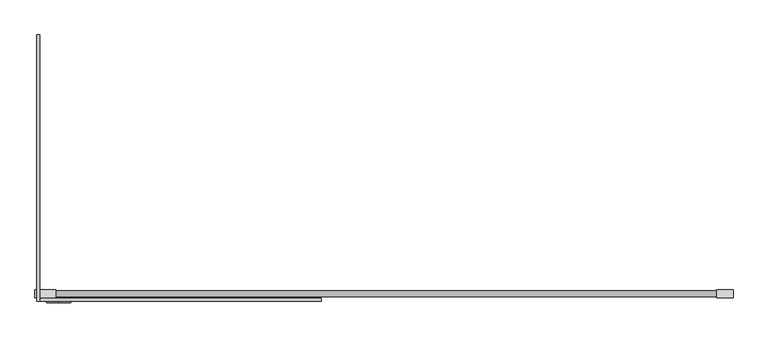
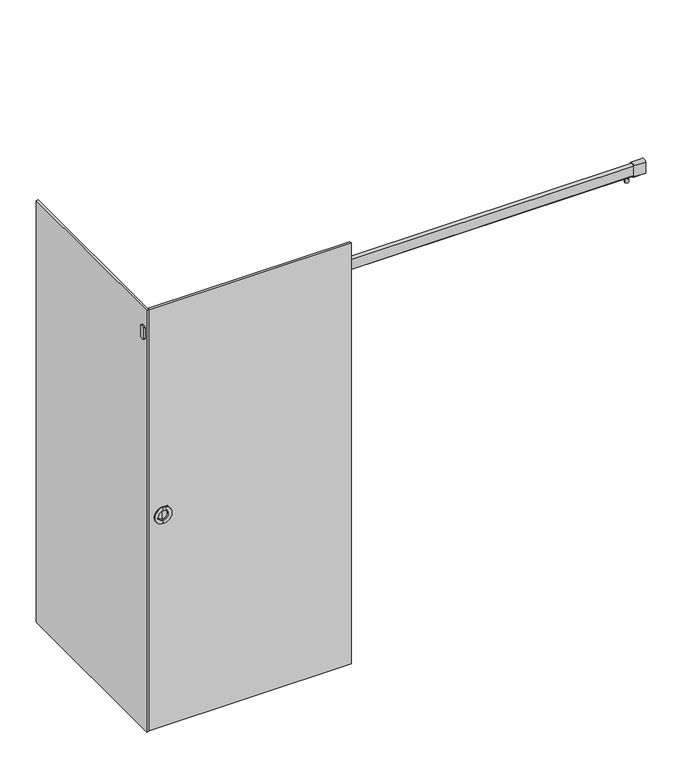
"""IFC4 building model written with IfcOpenShell, lengths in millimetres: proxy geometry."""

from ifc_helpers import new_model, si_unit, point, frame, frame_2d, origin, place, context, project, spatial, polyline, circle_curve, trimmed, segment, composite_curve, outline, extrude, source, transform, mapped, element, save
from ifc_brep_helpers import plane_surface, cylinder_surface, revolved_surface, advanced_brep


def specialty_equipment_84c9e7d3(model_context):
    return source(origin(), model_context, "Body", "SolidModel", [
        advanced_brep(
        [(-223.8375, 1.1125, 2133.6), (-1185.8625, 1.1125, 2133.6), (-1185.8625, -8.4125, 2133.6), (-223.8375, -8.4125, 2133.6), (-223.8375, 1.1125, 9.525), (-223.8375, -8.4125, 9.525), (-1185.8625, -8.4125, 9.525), (-1185.8625, 1.1125, 9.525), (-1122.3625, -8.4125, 1049.3375), (-1122.3625, -8.4125, 1103.3125), (-1122.3625, 1.1125, 1103.3125), (-1122.3625, 1.1125, 1049.3375), (-1122.3625, -3.65, 1049.3375), (-1122.3625, -3.65, 1103.3125)],
        [
            (0, 1),
            (1, 2),
            (2, 3),
            (3, 0),
            (4, 5),
            (5, 6),
            (6, 7),
            (7, 4),
            (3, 5),
            (4, 0),
            (2, 6),
            (8, 9, circle_curve(frame((-1122.3625, -8.4125, 1076.325), z_axis=(0.0, 1.0, 0.0), x_axis=(0.0, 0.0, -1.0)), 26.9875)),
            (9, 8, circle_curve(frame((-1122.3625, -8.4125, 1076.325), z_axis=(0.0, 1.0, 0.0), x_axis=(0.0, 0.0, -1.0)), 26.9875)),
            (1, 7),
            (10, 11, circle_curve(frame((-1122.3625, 1.1125, 1076.325), z_axis=(0.0, -1.0, 0.0), x_axis=(0.0, 0.0, -1.0)), 26.9875)),
            (11, 10, circle_curve(frame((-1122.3625, 1.1125, 1076.325), z_axis=(0.0, -1.0, 0.0), x_axis=(0.0, 0.0, -1.0)), 26.9875)),
            (11, 12),
            (12, 13, circle_curve(frame((-1122.3625, -3.65, 1076.325), z_axis=(0.0, -1.0, 0.0), x_axis=(0.0, 0.0, -1.0)), 26.9875)),
            (13, 10),
            (13, 12, circle_curve(frame((-1122.3625, -3.65, 1076.325), z_axis=(0.0, -1.0, 0.0), x_axis=(0.0, 0.0, -1.0)), 26.9875)),
            (12, 8),
            (9, 13),
        ],
        [
            plane_surface(frame((-223.8375, -8.4125, 2133.6), z_axis=(0.0, 0.0, 1.0), x_axis=(0.0, -1.0, 0.0))),
            plane_surface(frame((-223.8375, -8.4125, 9.525), z_axis=(0.0, 0.0, -1.0), x_axis=(0.0, 1.0, 0.0))),
            plane_surface(frame((-223.8375, 1.1125, 2133.6), z_axis=(1.0, 0.0, 0.0), x_axis=(0.0, 0.0, -1.0))),
            plane_surface(frame((-223.8375, -8.4125, 2133.6), z_axis=(0.0, -1.0, 0.0), x_axis=(0.0, 0.0, -1.0))),
            plane_surface(frame((-1185.8625, -8.4125, 2133.6), z_axis=(-1.0, 0.0, 0.0), x_axis=(0.0, 0.0, -1.0))),
            plane_surface(frame((-1185.8625, 1.1125, 2133.6), z_axis=(0.0, 1.0, 0.0), x_axis=(0.0, 0.0, -1.0))),
            revolved_surface(polyline([(-1122.3625, 1.112500000000182, 1049.3375), (-1122.3625, -3.650000000000091, 1049.3375)]), (-1122.3625, 2128.0461068, 1076.325), (0.0, 1.0, 0.0)),
            revolved_surface(polyline([(-1122.3625, -3.6500000000000057, 1049.3375), (-1122.3625, -8.412499999999994, 1049.3375)]), (-1122.3625, -229.3360248, 1076.325), (0.0, 1.0, 0.0)),
        ],
        [
            (0, [[1, 2, 3, 4]]),
            (1, [[5, 6, 7, 8]]),
            (2, [[9, -5, 10, -4]]),
            (3, [[11, -6, -9, -3], [12, 13]]),
            (4, [[14, -7, -11, -2]]),
            (5, [[-10, -8, -14, -1], [15, 16]]),
            (6, [[-16, 17, 18, 19]]),
            (6, [[20, -17, -15, -19]]),
            (7, [[-18, 21, -13, 22]]),
            (7, [[-12, -21, -20, -22]]),
        ],
    ),
        advanced_brep(
        [(-1122.3625, 5.875, 1100.1375), (-1122.3625, 5.875, 1117.6), (-1122.3625, 5.875, 1035.05), (-1122.3625, 5.875, 1052.5125), (-1122.3625, -2.85625, 1100.1375), (-1122.3625, -2.85625, 1052.5125), (-1122.3625, -2.85625, 1076.325), (-1122.3625, -3.65, 1103.3125), (-1122.3625, -3.65, 1076.325), (-1122.3625, -3.65, 1049.3375), (-1122.3625, 1.1125, 1103.3125), (-1122.3625, 1.1125, 1049.3375), (-1122.3625, 1.1125, 1117.6), (-1122.3625, 1.1125, 1035.05)],
        [
            (0, 1),
            (1, 2, circle_curve(frame((-1122.3625, 5.875, 1076.325), z_axis=(0.0, 1.0, 0.0), x_axis=(0.0, 0.0, -1.0)), 41.275)),
            (2, 3),
            (3, 0, circle_curve(frame((-1122.3625, 5.875, 1076.325), z_axis=(0.0, -1.0, 0.0), x_axis=(0.0, 0.0, -1.0)), 23.8125)),
            (2, 1, circle_curve(frame((-1122.3625, 5.875, 1076.325), z_axis=(0.0, 1.0, 0.0), x_axis=(0.0, 0.0, -1.0)), 41.275)),
            (0, 3, circle_curve(frame((-1122.3625, 5.875, 1076.325), z_axis=(0.0, -1.0, 0.0), x_axis=(0.0, 0.0, -1.0)), 23.8125)),
            (4, 0),
            (3, 5),
            (5, 4, circle_curve(frame((-1122.3625, -2.85625, 1076.325), z_axis=(0.0, -1.0, 0.0), x_axis=(0.0, 0.0, -1.0)), 23.8125)),
            (4, 5, circle_curve(frame((-1122.3625, -2.85625, 1076.325), z_axis=(0.0, -1.0, 0.0), x_axis=(0.0, 0.0, -1.0)), 23.8125)),
            (6, 4),
            (5, 6),
            (7, 8),
            (8, 9),
            (9, 7, circle_curve(frame((-1122.3625, -3.65, 1076.325), z_axis=(0.0, -1.0, 0.0), x_axis=(0.0, 0.0, -1.0)), 26.9875)),
            (7, 9, circle_curve(frame((-1122.3625, -3.65, 1076.325), z_axis=(0.0, -1.0, 0.0), x_axis=(0.0, 0.0, -1.0)), 26.9875)),
            (10, 7),
            (9, 11),
            (11, 10, circle_curve(frame((-1122.3625, 1.1125, 1076.325), z_axis=(0.0, -1.0, 0.0), x_axis=(0.0, 0.0, -1.0)), 26.9875)),
            (10, 11, circle_curve(frame((-1122.3625, 1.1125, 1076.325), z_axis=(0.0, -1.0, 0.0), x_axis=(0.0, 0.0, -1.0)), 26.9875)),
            (12, 10),
            (11, 13),
            (13, 12, circle_curve(frame((-1122.3625, 1.1125, 1076.325), z_axis=(0.0, -1.0, 0.0), x_axis=(0.0, 0.0, -1.0)), 41.275)),
            (12, 13, circle_curve(frame((-1122.3625, 1.1125, 1076.325), z_axis=(0.0, -1.0, 0.0), x_axis=(0.0, 0.0, -1.0)), 41.275)),
            (1, 12),
            (13, 2),
        ],
        [
            plane_surface(frame((-1122.3625, 5.875, 1076.325), z_axis=(0.0, 1.0, 0.0), x_axis=(0.0, 0.0, -1.0))),
            revolved_surface(polyline([(-1122.3625, 5.875, 1052.5125), (-1122.3625, -2.8562499999999993, 1052.5125)]), (-1122.3625, 5.875, 1076.325), (0.0, 1.0, 0.0)),
            plane_surface(frame((-1122.3625, -2.85625, 1076.325), z_axis=(0.0, 1.0, 0.0), x_axis=(0.0, 0.0, -1.0))),
            plane_surface(frame((-1122.3625, -3.65, 1076.325), z_axis=(0.0, -1.0, 0.0), x_axis=(0.0, 0.0, -1.0))),
            cylinder_surface(frame((-1122.3625, 5.875, 1076.325), z_axis=(0.0, 1.0, 0.0), x_axis=(0.0, 0.0, -1.0)), 26.9875),
            plane_surface(frame((-1122.3625, 1.1125, 1076.325), z_axis=(0.0, -1.0, 0.0), x_axis=(0.0, 0.0, -1.0))),
            cylinder_surface(frame((-1122.3625, 5.875, 1076.325), z_axis=(0.0, 1.0, 0.0), x_axis=(0.0, 0.0, -1.0)), 41.275),
        ],
        [
            (0, [[1, 2, 3, 4]]),
            (0, [[-3, 5, -1, 6]]),
            (1, [[7, -4, 8, 9]]),
            (1, [[-8, -6, -7, 10]]),
            (2, [[11, -9, 12]]),
            (2, [[-12, -10, -11]]),
            (3, [[13, 14, 15]]),
            (3, [[-14, -13, 16]]),
            (4, [[17, -15, 18, 19]]),
            (4, [[-18, -16, -17, 20]]),
            (5, [[21, -19, 22, 23]]),
            (5, [[-22, -20, -21, 24]]),
            (6, [[25, -23, 26, -2]]),
            (6, [[-26, -24, -25, -5]]),
        ],
    ),
        advanced_brep(
        [(-1122.3625, -8.4125, 1117.6), (-1122.3625, -13.175, 1117.6), (-1122.3625, -13.175, 1035.05), (-1122.3625, -8.4125, 1035.05), (-1122.3625, -8.4125, 1103.3125), (-1122.3625, -8.4125, 1049.3375), (-1122.3625, -3.65, 1103.3125), (-1122.3625, -3.65, 1049.3375), (-1122.3625, -3.65, 1076.325), (-1122.3625, -4.44375, 1100.1375), (-1122.3625, -4.44375, 1076.325), (-1122.3625, -4.44375, 1052.5125), (-1122.3625, -13.175, 1100.1375), (-1122.3625, -13.175, 1052.5125)],
        [
            (0, 1),
            (1, 2, circle_curve(frame((-1122.3625, -13.175, 1076.325), z_axis=(0.0, 1.0, 0.0), x_axis=(0.0, 0.0, -1.0)), 41.275)),
            (2, 3),
            (3, 0, circle_curve(frame((-1122.3625, -8.4125, 1076.325), z_axis=(0.0, -1.0, 0.0), x_axis=(0.0, 0.0, -1.0)), 41.275)),
            (2, 1, circle_curve(frame((-1122.3625, -13.175, 1076.325), z_axis=(0.0, 1.0, 0.0), x_axis=(0.0, 0.0, -1.0)), 41.275)),
            (0, 3, circle_curve(frame((-1122.3625, -8.4125, 1076.325), z_axis=(0.0, -1.0, 0.0), x_axis=(0.0, 0.0, -1.0)), 41.275)),
            (4, 0),
            (3, 5),
            (5, 4, circle_curve(frame((-1122.3625, -8.4125, 1076.325), z_axis=(0.0, -1.0, 0.0), x_axis=(0.0, 0.0, -1.0)), 26.9875)),
            (4, 5, circle_curve(frame((-1122.3625, -8.4125, 1076.325), z_axis=(0.0, -1.0, 0.0), x_axis=(0.0, 0.0, -1.0)), 26.9875)),
            (6, 4),
            (5, 7),
            (7, 6, circle_curve(frame((-1122.3625, -3.65, 1076.325), z_axis=(0.0, -1.0, 0.0), x_axis=(0.0, 0.0, -1.0)), 26.9875)),
            (6, 7, circle_curve(frame((-1122.3625, -3.65, 1076.325), z_axis=(0.0, -1.0, 0.0), x_axis=(0.0, 0.0, -1.0)), 26.9875)),
            (8, 6),
            (7, 8),
            (9, 10),
            (10, 11),
            (11, 9, circle_curve(frame((-1122.3625, -4.44375, 1076.325), z_axis=(0.0, -1.0, 0.0), x_axis=(0.0, 0.0, -1.0)), 23.8125)),
            (9, 11, circle_curve(frame((-1122.3625, -4.44375, 1076.325), z_axis=(0.0, -1.0, 0.0), x_axis=(0.0, 0.0, -1.0)), 23.8125)),
            (12, 9),
            (11, 13),
            (13, 12, circle_curve(frame((-1122.3625, -13.175, 1076.325), z_axis=(0.0, -1.0, 0.0), x_axis=(0.0, 0.0, -1.0)), 23.8125)),
            (12, 13, circle_curve(frame((-1122.3625, -13.175, 1076.325), z_axis=(0.0, -1.0, 0.0), x_axis=(0.0, 0.0, -1.0)), 23.8125)),
            (1, 12),
            (13, 2),
        ],
        [
            cylinder_surface(frame((-1122.3625, -13.175, 1076.325), z_axis=(0.0, 1.0, 0.0), x_axis=(0.0, 0.0, -1.0)), 41.275),
            plane_surface(frame((-1122.3625, -8.4125, 1076.325), z_axis=(0.0, 1.0, 0.0), x_axis=(0.0, 0.0, -1.0))),
            cylinder_surface(frame((-1122.3625, -13.175, 1076.325), z_axis=(0.0, 1.0, 0.0), x_axis=(0.0, 0.0, -1.0)), 26.9875),
            plane_surface(frame((-1122.3625, -3.65, 1076.325), z_axis=(0.0, 1.0, 0.0), x_axis=(0.0, 0.0, -1.0))),
            plane_surface(frame((-1122.3625, -4.44375, 1076.325), z_axis=(0.0, -1.0, 0.0), x_axis=(0.0, 0.0, -1.0))),
            revolved_surface(polyline([(-1122.3625, -4.44375, 1052.5125), (-1122.3625, -13.175, 1052.5125)]), (-1122.3625, -13.175, 1076.325), (0.0, 1.0, 0.0)),
            plane_surface(frame((-1122.3625, -13.175, 1076.325), z_axis=(0.0, -1.0, 0.0), x_axis=(0.0, 0.0, -1.0))),
        ],
        [
            (0, [[1, 2, 3, 4]]),
            (0, [[-3, 5, -1, 6]]),
            (1, [[7, -4, 8, 9]]),
            (1, [[-8, -6, -7, 10]]),
            (2, [[11, -9, 12, 13]]),
            (2, [[-12, -10, -11, 14]]),
            (3, [[15, -13, 16]]),
            (3, [[-16, -14, -15]]),
            (4, [[17, 18, 19]]),
            (4, [[-18, -17, 20]]),
            (5, [[21, -19, 22, 23]]),
            (5, [[-22, -20, -21, 24]]),
            (6, [[25, -23, 26, -2]]),
            (6, [[-26, -24, -25, -5]]),
        ],
    ),
        extrude(outline(composite_curve([segment(trimmed(circle_curve(frame_2d((17.4625, 1994.4776496)), 17.8435), [point((31.496, 1983.4571519))], [point((3.429, 1983.4571519))], False, "CARTESIAN"), True, "CONTINUOUS"), segment(polyline([(3.429, 1983.4571519), (3.429, 2039.0771779)]), True, "CONTINUOUS"), segment(trimmed(circle_curve(frame_2d((17.4625, 2028.0566802)), 17.8435), [point((3.429, 2039.0771779))], [point((31.496, 2039.0771779))], False, "CARTESIAN"), True, "CONTINUOUS"), segment(polyline([(31.496, 2039.0771779), (31.496, 1983.4571519)]), True, "CONTINUOUS")], self_intersect=False)), frame((-1204.9125, 0.0, 0.0), z_axis=(1.0, 0.0, 0.0), x_axis=(0.0, 1.0, 0.0)), (0.0, 0.0, 1.0), 6.35),
        extrude(outline(composite_curve([segment(trimmed(circle_curve(frame_2d((-1105.9315907, 17.1696557)), 8.9754819), [point((-1114.9070726, 17.1696557))], [point((-1096.9561089, 17.1696557))], False, "CARTESIAN"), True, "CONTINUOUS"), segment(trimmed(circle_curve(frame_2d((-1105.9315907, 17.1696557)), 8.9754819), [point((-1096.9561089, 17.1696557))], [point((-1114.9070726, 17.1696557))], False, "CARTESIAN"), True, "CONTINUOUS")], self_intersect=False)), frame((0.0, 0.0, 1960.0969845), z_axis=(0.0, 0.0, 1.0), x_axis=(1.0, 0.0, 0.0)), (0.0, 0.0, 1.0), 21.1738233),
        extrude(outline(composite_curve([segment(polyline([(27.78125, 2035.9788834), (27.78125, 1986.5554464)]), True, "CONTINUOUS"), segment(trimmed(circle_curve(frame_2d((17.4625, 1994.1254207)), 12.7976995), [point((27.78125, 1986.5554464))], [point((7.14375, 1986.5554464))], False, "CARTESIAN"), True, "CONTINUOUS"), segment(polyline([(7.14375, 1986.5554464), (7.14375, 2035.9788834)]), True, "CONTINUOUS"), segment(trimmed(circle_curve(frame_2d((17.4625, 2028.408909)), 12.7976995), [point((7.14375, 2035.9788834))], [point((27.78125, 2035.9788834))], False, "CARTESIAN"), True, "CONTINUOUS")], self_intersect=False)), frame((-1132.6749, 0.0, 0.0), z_axis=(1.0, 0.0, 0.0), x_axis=(0.0, 1.0, 0.0)), (0.0, 0.0, 1.0), 2265.3498),
        extrude(outline(composite_curve([segment(trimmed(circle_curve(frame_2d((1105.9315907, 17.1696557)), 8.9754819), [point((1114.9070726, 17.1696557))], [point((1096.9561089, 17.1696557))], False, "CARTESIAN"), True, "CONTINUOUS"), segment(trimmed(circle_curve(frame_2d((1105.9315907, 17.1696557)), 8.9754819), [point((1096.9561089, 17.1696557))], [point((1114.9070726, 17.1696557))], False, "CARTESIAN"), True, "CONTINUOUS")], self_intersect=False)), frame((0.0, 0.0, 1960.0969845), z_axis=(0.0, 0.0, 1.0), x_axis=(1.0, 0.0, 0.0)), (0.0, 0.0, 1.0), 21.1738233),
        extrude(outline(composite_curve([segment(trimmed(circle_curve(frame_2d((17.4625, 1994.4776496)), 17.8435), [point((31.496, 1983.4571519))], [point((3.429, 1983.4571519))], False, "CARTESIAN"), True, "CONTINUOUS"), segment(polyline([(3.429, 1983.4571519), (3.429, 2039.0771779)]), True, "CONTINUOUS"), segment(trimmed(circle_curve(frame_2d((17.4625, 2028.0566802)), 17.8435), [point((3.429, 2039.0771779))], [point((31.496, 2039.0771779))], False, "CARTESIAN"), True, "CONTINUOUS"), segment(polyline([(31.496, 2039.0771779), (31.496, 1983.4571519)]), True, "CONTINUOUS")], self_intersect=False)), frame((1132.6749, 0.0, 0.0), z_axis=(1.0, 0.0, 0.0), x_axis=(0.0, 1.0, 0.0)), (0.0, 0.0, 1.0), 56.3626),
        extrude(outline(composite_curve([segment(trimmed(circle_curve(frame_2d((17.4625, 1994.4776496)), 17.8435), [point((31.496, 1983.4571519))], [point((3.429, 1983.4571519))], False, "CARTESIAN"), True, "CONTINUOUS"), segment(polyline([(3.429, 1983.4571519), (3.429, 2039.0771779)]), True, "CONTINUOUS"), segment(trimmed(circle_curve(frame_2d((17.4625, 2028.0566802)), 17.8435), [point((3.429, 2039.0771779))], [point((31.496, 2039.0771779))], False, "CARTESIAN"), True, "CONTINUOUS"), segment(polyline([(31.496, 2039.0771779), (31.496, 1983.4571519)]), True, "CONTINUOUS")], self_intersect=False)), frame((-1189.0375, 0.0, 0.0), z_axis=(1.0, 0.0, 0.0), x_axis=(0.0, 1.0, 0.0)), (0.0, 0.0, 1.0), 56.3626),
        extrude(outline(polyline([(-1189.0375, 904.875), (-1189.0375, -8.73125), (-1198.5625, -8.73125), (-1198.5625, 904.875), (-1189.0375, 904.875)])), frame((0.0, 0.0, 6.35), z_axis=(0.0, 0.0, 1.0), x_axis=(1.0, 0.0, 0.0)), (0.0, 0.0, 1.0), 2127.25),
    ])


if __name__ == "__main__":
    model = new_model("IFC4")
    model_context = context("Model", 3, world=origin())
    ifc_project = project(units=[si_unit("LENGTHUNIT", "METRE", prefix="MILLI")], contexts=[model_context])
    site = spatial("IfcSite", under=ifc_project)
    building = spatial("IfcBuilding", under=site)
    placement = place(None, origin())
    specialty_equipment_shape = specialty_equipment_84c9e7d3(model_context)
    element("IfcBuildingElementProxy", 1, Name="Specialty Equipment", at=placement, inside=building, context=model_context, shape_type="MappedRepresentation", body=[
        mapped(specialty_equipment_shape, transform((0.0, 0.0, 0.0), x_axis=(1.0, 0.0, 0.0), y_axis=(0.0, 1.0, 0.0), z_axis=(0.0, 0.0, 1.0))),
    ])
    save(model, "model.ifc")
